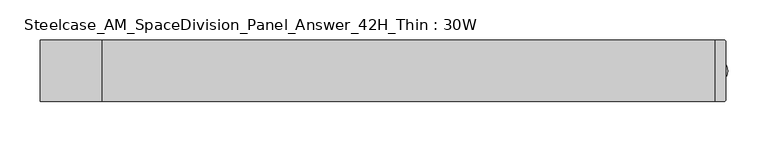
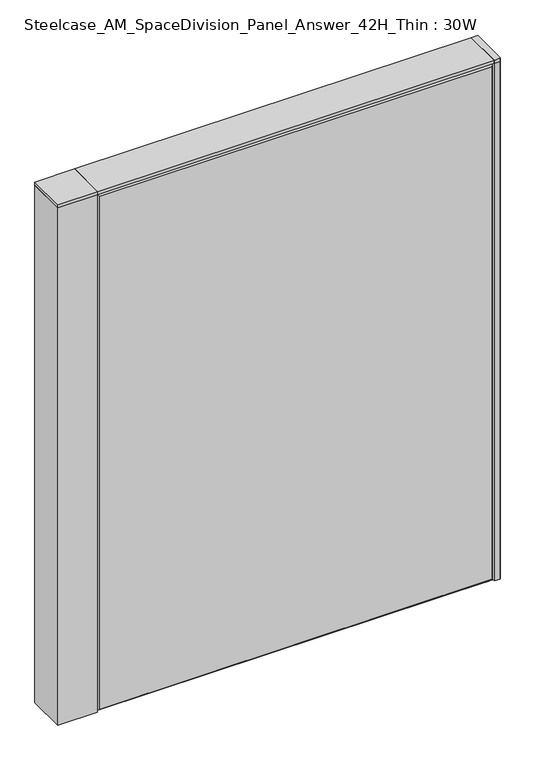
"""IFC4 building model written with IfcOpenShell, lengths in millimetres: furniture geometry, Steelcase_AM_SpaceDivision_Panel_Answer_42H_Thin : 30W."""

from ifc_helpers import new_model, si_unit, point, frame, frame_2d, origin, place, context, project, spatial, polyline, circle_curve, trimmed, segment, composite_curve, outline, extrude, faceted_brep, source, transform, mapped, element, save


def steelcase_am_spacedivision_panel_answer_42h_thin_30w_f3ca4828(model_context):
    return source(origin(), model_context, "Body", "SolidModel", [
        extrude(outline(composite_curve([segment(trimmed(circle_curve(frame_2d((381.0, -1.94e-05)), 5.08), [point((386.08, -1.94e-05))], [point((375.92, -1.94e-05))], False, "CARTESIAN"), True, "CONTINUOUS"), segment(trimmed(circle_curve(frame_2d((381.0, -1.94e-05)), 5.08), [point((375.92, -1.94e-05))], [point((386.08, -1.94e-05))], False, "CARTESIAN"), True, "CONTINUOUS")], self_intersect=False)), frame((0.0, 0.0, 5.0799671), z_axis=(0.0, 0.0, 1.0), x_axis=(1.0, 0.0, 0.0)), (0.0, 0.0, 1.0), 10.414),
        extrude(outline(composite_curve([segment(trimmed(circle_curve(frame_2d((381.0, -1.94e-05)), 15.24), [point((396.24, -1.94e-05))], [point((365.76, -1.94e-05))], False, "CARTESIAN"), True, "CONTINUOUS"), segment(trimmed(circle_curve(frame_2d((381.0, -1.94e-05)), 15.24), [point((365.76, -1.94e-05))], [point((396.24, -1.94e-05))], False, "CARTESIAN"), True, "CONTINUOUS")], self_intersect=False)), frame((0.0, 0.0, -3.29e-05), z_axis=(0.0, 0.0, 1.0), x_axis=(1.0, 0.0, 0.0)), (0.0, 0.0, 1.0), 5.08),
        extrude(outline(composite_curve([segment(polyline([(393.7, 36.322), (393.7, -36.322)]), True, "CONTINUOUS"), segment(trimmed(circle_curve(frame_2d((391.922, -36.322)), 1.778), [point((393.7, -36.322))], [point((391.922, -38.1))], False, "CARTESIAN"), True, "CONTINUOUS"), segment(polyline([(391.922, -38.1), (381.0, -38.1), (381.0, 38.1), (391.922, 38.1)]), True, "CONTINUOUS"), segment(trimmed(circle_curve(frame_2d((391.922, 36.322)), 1.778), [point((391.922, 38.1))], [point((393.7, 36.322))], False, "CARTESIAN"), True, "CONTINUOUS")], self_intersect=False)), frame((0.0, 0.0, 1066.7999671), z_axis=(0.0, 0.0, 1.0), x_axis=(1.0, 0.0, 0.0)), (0.0, 0.0, 1.0), 6.35),
        extrude(outline(composite_curve([segment(polyline([(393.7, 36.322), (393.7, -36.322)]), True, "CONTINUOUS"), segment(trimmed(circle_curve(frame_2d((391.922, -36.322)), 1.778), [point((393.7, -36.322))], [point((391.922, -38.1))], False, "CARTESIAN"), True, "CONTINUOUS"), segment(polyline([(391.922, -38.1), (381.0, -38.1), (381.0, 38.1), (391.922, 38.1)]), True, "CONTINUOUS"), segment(trimmed(circle_curve(frame_2d((391.922, 36.322)), 1.778), [point((391.922, 38.1))], [point((393.7, 36.322))], False, "CARTESIAN"), True, "CONTINUOUS")], self_intersect=False)), frame((0.0, 0.0, 15.4939671), z_axis=(0.0, 0.0, 1.0), x_axis=(1.0, 0.0, 0.0)), (0.0, 0.0, 1.0), 1051.306),
        extrude(outline(composite_curve([segment(trimmed(circle_curve(frame_2d((-419.1, 0.0)), 5.08), [point((-424.18, 0.0))], [point((-414.02, 0.0))], False, "CARTESIAN"), True, "CONTINUOUS"), segment(trimmed(circle_curve(frame_2d((-419.1, 0.0)), 5.08), [point((-414.02, 0.0))], [point((-424.18, 0.0))], False, "CARTESIAN"), True, "CONTINUOUS")], self_intersect=False)), frame((0.0, 0.0, 5.0799671), z_axis=(0.0, 0.0, 1.0), x_axis=(1.0, 0.0, 0.0)), (0.0, 0.0, 1.0), 10.414),
        extrude(outline(composite_curve([segment(trimmed(circle_curve(frame_2d((-419.1, 0.0)), 15.24), [point((-434.34, 0.0))], [point((-403.86, 0.0))], False, "CARTESIAN"), True, "CONTINUOUS"), segment(trimmed(circle_curve(frame_2d((-419.1, 0.0)), 15.24), [point((-403.86, 0.0))], [point((-434.34, 0.0))], False, "CARTESIAN"), True, "CONTINUOUS")], self_intersect=False)), frame((0.0, 0.0, -3.29e-05), z_axis=(0.0, 0.0, 1.0), x_axis=(1.0, 0.0, 0.0)), (0.0, 0.0, 1.0), 5.08),
        extrude(outline(polyline([(-381.0, -38.0999806), (-457.2, -38.0999806), (-457.2, 38.1000194), (-381.0, 38.1000194), (-381.0, -38.0999806)])), frame((0.0, 0.0, 1066.7999671), z_axis=(0.0, 0.0, 1.0), x_axis=(1.0, 0.0, 0.0)), (0.0, 0.0, 1.0), 6.35),
        extrude(outline(polyline([(-457.2, 38.1000194), (-381.0, 38.1000194), (-381.0, -38.0999806), (-457.2, -38.0999806), (-457.2, 38.1000194)])), frame((0.0, 0.0, 15.4939671), z_axis=(0.0, 0.0, 1.0), x_axis=(1.0, 0.0, 0.0)), (0.0, 0.0, 1.0), 1051.306),
        faceted_brep([(-381.0, 33.2700541, 1066.8), (-381.0, 33.2700541, 15.494), (381.0, 33.2700541, 15.494), (381.0, 33.2700541, 1066.8), (376.174, 38.0960541, 1061.974), (-376.174, 38.0960541, 1061.974), (376.174, 38.0960541, 20.32), (-376.174, 38.0960541, 20.32)], [[[0, 1, 2, 3]], [[0, 3, 4, 5]], [[5, 4, 6, 7]], [[3, 2, 6, 4]], [[2, 1, 7, 6]], [[1, 0, 5, 7]]]),
        faceted_brep([(381.0, -33.2700541, 1066.8), (381.0, -33.2700541, 15.494), (-381.0, -33.2700541, 15.494), (-381.0, -33.2700541, 1066.8), (-376.174, -38.0960541, 1061.974), (376.174, -38.0960541, 1061.974), (-376.174, -38.0960541, 20.32), (376.174, -38.0960541, 20.32)], [[[0, 1, 2, 3]], [[0, 3, 4, 5]], [[5, 4, 6, 7]], [[3, 2, 6, 4]], [[2, 1, 7, 6]], [[1, 0, 5, 7]]]),
        extrude(outline(polyline([(381.0, 38.1000194), (381.0, -38.1000194), (-381.0, -38.1000194), (-381.0, 38.1000194), (381.0, 38.1000194)])), frame((0.0, 0.0, 1066.8), z_axis=(0.0, 0.0, 1.0), x_axis=(1.0, 0.0, 0.0)), (0.0, 0.0, 1.0), 6.35),
    ])


if __name__ == "__main__":
    model = new_model("IFC4")
    model_context = context("Model", 3, world=origin())
    ifc_project = project(units=[si_unit("LENGTHUNIT", "METRE", prefix="MILLI")], contexts=[model_context])
    site = spatial("IfcSite", under=ifc_project)
    building = spatial("IfcBuilding", under=site)
    placement = place(None, origin())
    steelcase_am_spacedivision_panel_answer_42h_thin_30w_shape = steelcase_am_spacedivision_panel_answer_42h_thin_30w_f3ca4828(model_context)
    element("IfcFurniture", 1, ObjectType="Steelcase_AM_SpaceDivision_Panel_Answer_42H_Thin : 30W", at=placement, inside=building, context=model_context, shape_type="MappedRepresentation", body=[
        mapped(steelcase_am_spacedivision_panel_answer_42h_thin_30w_shape, transform((0.0, 0.0, 0.0), x_axis=(1.0, 0.0, 0.0), y_axis=(0.0, 1.0, 0.0), z_axis=(0.0, 0.0, 1.0))),
    ])
    save(model, "model.ifc")
